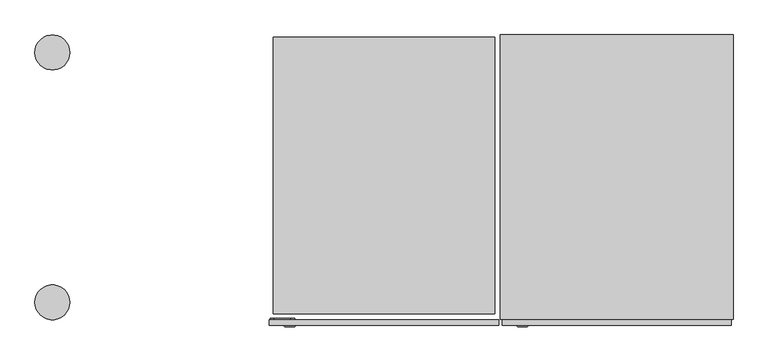
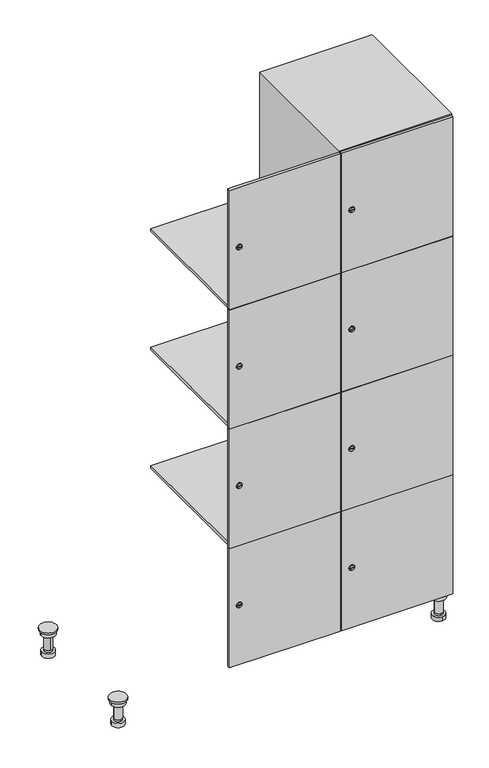
"""IFC4 building model written with IfcOpenShell, lengths in millimetres: furniture geometry."""

from ifc_helpers import new_model, si_unit, point, frame, frame_2d, origin, place, context, project, spatial, polyline, circle_curve, trimmed, segment, composite_curve, outline, extrude, faceted_brep, source, transform, mapped, element, save
from ifc_brep_helpers import plane_surface, cylinder_surface, revolved_surface, advanced_brep


def furniture_999650c0(model_context):
    return source(origin(), model_context, "Body", "SolidModel", [
        advanced_brep(
        [(970.0, -201.0, 22.0), (970.0, -201.5, 16.0), (970.0, -228.5, 16.0), (970.0, -229.0, 22.0), (956.0, -215.0, 22.0), (984.0, -215.0, 22.0), (970.0, -192.5, 16.0), (970.0, -237.5, 16.0), (970.0, -192.5, 0.0), (970.0, -237.5, 0.0), (984.0, -215.0, 78.0), (956.0, -215.0, 78.0), (995.0, -215.0, 78.0), (945.0, -215.0, 78.0), (1000.0, -215.0, 94.0), (940.0, -215.0, 94.0), (945.0, -215.0, 94.0), (995.0, -215.0, 94.0), (1000.0, -215.0, 100.0), (940.0, -215.0, 100.0)],
        [
            (0, 1),
            (1, 2, circle_curve(frame((970.0, -215.0, 16.0), z_axis=(0.0, 0.0, 1.0), x_axis=(0.0, -1.0, 0.0)), 13.5)),
            (2, 3),
            (3, 4, circle_curve(frame((970.0, -215.0, 22.0), z_axis=(0.0, 0.0, -1.0), x_axis=(0.0, -1.0, 0.0)), 14.0)),
            (4, 0, circle_curve(frame((970.0, -215.0, 22.0), z_axis=(0.0, 0.0, -1.0), x_axis=(0.0, -1.0, 0.0)), 14.0)),
            (0, 5, circle_curve(frame((970.0, -215.0, 22.0), z_axis=(0.0, 0.0, -1.0), x_axis=(0.0, 1.0, 0.0)), 14.0)),
            (5, 3, circle_curve(frame((970.0, -215.0, 22.0), z_axis=(0.0, 0.0, -1.0), x_axis=(0.0, 1.0, 0.0)), 14.0)),
            (2, 1, circle_curve(frame((970.0, -215.0, 16.0), z_axis=(0.0, 0.0, 1.0), x_axis=(0.0, 1.0, 0.0)), 13.5)),
            (6, 7, circle_curve(frame((970.0, -215.0, 16.0), z_axis=(0.0, 0.0, 1.0), x_axis=(0.0, -1.0, 0.0)), 22.5)),
            (7, 6, circle_curve(frame((970.0, -215.0, 16.0), z_axis=(0.0, 0.0, 1.0), x_axis=(0.0, -1.0, 0.0)), 22.5)),
            (8, 9, circle_curve(frame((970.0, -215.0, 0.0), z_axis=(0.0, 0.0, -1.0), x_axis=(0.0, -1.0, 0.0)), 22.5)),
            (9, 8, circle_curve(frame((970.0, -215.0, 0.0), z_axis=(0.0, 0.0, -1.0), x_axis=(0.0, -1.0, 0.0)), 22.5)),
            (6, 8),
            (9, 7),
            (5, 10),
            (10, 11, circle_curve(frame((970.0, -215.0, 78.0), z_axis=(0.0, 0.0, -1.0), x_axis=(-1.0, 0.0, 0.0)), 14.0)),
            (11, 4),
            (11, 10, circle_curve(frame((970.0, -215.0, 78.0), z_axis=(0.0, 0.0, -1.0), x_axis=(-1.0, 0.0, 0.0)), 14.0)),
            (12, 13, circle_curve(frame((970.0, -215.0, 78.0), z_axis=(0.0, 0.0, -1.0), x_axis=(-1.0, 0.0, 0.0)), 25.0)),
            (13, 12, circle_curve(frame((970.0, -215.0, 78.0), z_axis=(0.0, 0.0, -1.0), x_axis=(-1.0, 0.0, 0.0)), 25.0)),
            (14, 15, circle_curve(frame((970.0, -215.0, 94.0), z_axis=(0.0, 0.0, -1.0), x_axis=(-1.0, 0.0, 0.0)), 30.0)),
            (15, 14, circle_curve(frame((970.0, -215.0, 94.0), z_axis=(0.0, 0.0, -1.0), x_axis=(-1.0, 0.0, 0.0)), 30.0)),
            (16, 17, circle_curve(frame((970.0, -215.0, 94.0), z_axis=(0.0, 0.0, 1.0), x_axis=(-1.0, 0.0, 0.0)), 25.0)),
            (17, 16, circle_curve(frame((970.0, -215.0, 94.0), z_axis=(0.0, 0.0, 1.0), x_axis=(-1.0, 0.0, 0.0)), 25.0)),
            (18, 19, circle_curve(frame((970.0, -215.0, 100.0), z_axis=(0.0, 0.0, 1.0), x_axis=(-1.0, 0.0, 0.0)), 30.0)),
            (19, 18, circle_curve(frame((970.0, -215.0, 100.0), z_axis=(0.0, 0.0, 1.0), x_axis=(-1.0, 0.0, 0.0)), 30.0)),
            (14, 18),
            (19, 15),
            (12, 17),
            (16, 13),
        ],
        [
            revolved_surface(polyline([(970.0, -201.5, 16.0), (970.0, -201.0, 22.0)]), (970.0, -215.0, -146.0), (0.0, 0.0, 1.0)),
            plane_surface(frame((970.0, 0.0, 16.0), z_axis=(0.0, 0.0, 1.0), x_axis=(0.0, -1.0, 0.0))),
            plane_surface(frame((970.0, 0.0, 0.0), z_axis=(0.0, 0.0, -1.0), x_axis=(0.0, -1.0, 0.0))),
            cylinder_surface(frame((970.0, -215.0, 16.0), z_axis=(0.0, 0.0, 1.0), x_axis=(0.0, -1.0, 0.0)), 22.5),
            cylinder_surface(frame((970.0, -215.0, 22.0), z_axis=(0.0, 0.0, -1.0), x_axis=(-1.0, 0.0, 0.0)), 14.0),
            plane_surface(frame((970.0, 0.0, 78.0), z_axis=(0.0, 0.0, -1.0), x_axis=(0.0, -1.0, 0.0))),
            plane_surface(frame((970.0, 0.0, 94.0), z_axis=(0.0, 0.0, -1.0), x_axis=(0.0, -1.0, 0.0))),
            plane_surface(frame((970.0, 0.0, 100.0), z_axis=(0.0, 0.0, 1.0), x_axis=(0.0, -1.0, 0.0))),
            cylinder_surface(frame((970.0, -215.0, 94.0), z_axis=(0.0, 0.0, -1.0), x_axis=(-1.0, 0.0, 0.0)), 30.0),
            cylinder_surface(frame((970.0, -215.0, 78.0), z_axis=(0.0, 0.0, -1.0), x_axis=(-1.0, 0.0, 0.0)), 25.0),
        ],
        [
            (0, [[1, 2, 3, 4, 5]]),
            (0, [[-1, 6, 7, -3, 8]]),
            (1, [[9, 10], [-2, -8]]),
            (2, [[11, 12]]),
            (3, [[-9, 13, -12, 14]]),
            (3, [[-10, -14, -11, -13]]),
            (4, [[15, 16, 17, -4, -7]]),
            (4, [[-15, -6, -5, -17, 18]]),
            (5, [[19, 20], [-16, -18]]),
            (6, [[21, 22], [23, 24]]),
            (7, [[25, 26]]),
            (8, [[-21, 27, -26, 28]]),
            (8, [[-22, -28, -25, -27]]),
            (9, [[-19, 29, -23, 30]]),
            (9, [[-20, -30, -24, -29]]),
        ],
    ),
        advanced_brep(
        [(-170.0, -201.0, 22.0), (-170.0, -201.5, 16.0), (-170.0, -228.5, 16.0), (-170.0, -229.0, 22.0), (-184.0, -215.0, 22.0), (-156.0, -215.0, 22.0), (-147.5, -215.0, 0.0), (-192.5, -215.0, 0.0), (-147.5, -215.0, 16.0), (-192.5, -215.0, 16.0), (-156.0, -215.0, 78.0), (-184.0, -215.0, 78.0), (-145.0, -215.0, 78.0), (-195.0, -215.0, 78.0), (-140.0, -215.0, 94.0), (-200.0, -215.0, 94.0), (-195.0, -215.0, 94.0), (-145.0, -215.0, 94.0), (-140.0, -215.0, 100.0), (-200.0, -215.0, 100.0)],
        [
            (0, 1),
            (1, 2, circle_curve(frame((-170.0, -215.0, 16.0), z_axis=(0.0, 0.0, 1.0), x_axis=(0.0, -1.0, 0.0)), 13.5)),
            (2, 3),
            (3, 4, circle_curve(frame((-170.0, -215.0, 22.0), z_axis=(0.0, 0.0, -1.0), x_axis=(0.0, -1.0, 0.0)), 14.0)),
            (4, 0, circle_curve(frame((-170.0, -215.0, 22.0), z_axis=(0.0, 0.0, -1.0), x_axis=(0.0, -1.0, 0.0)), 14.0)),
            (0, 5, circle_curve(frame((-170.0, -215.0, 22.0), z_axis=(0.0, 0.0, -1.0), x_axis=(0.0, 1.0, 0.0)), 14.0)),
            (5, 3, circle_curve(frame((-170.0, -215.0, 22.0), z_axis=(0.0, 0.0, -1.0), x_axis=(0.0, 1.0, 0.0)), 14.0)),
            (2, 1, circle_curve(frame((-170.0, -215.0, 16.0), z_axis=(0.0, 0.0, 1.0), x_axis=(0.0, 1.0, 0.0)), 13.5)),
            (6, 7, circle_curve(frame((-170.0, -215.0, 0.0), z_axis=(0.0, 0.0, -1.0), x_axis=(-1.0, 0.0, 0.0)), 22.5)),
            (7, 6, circle_curve(frame((-170.0, -215.0, 0.0), z_axis=(0.0, 0.0, -1.0), x_axis=(-1.0, 0.0, 0.0)), 22.5)),
            (8, 9, circle_curve(frame((-170.0, -215.0, 16.0), z_axis=(0.0, 0.0, 1.0), x_axis=(-1.0, 0.0, 0.0)), 22.5)),
            (9, 8, circle_curve(frame((-170.0, -215.0, 16.0), z_axis=(0.0, 0.0, 1.0), x_axis=(-1.0, 0.0, 0.0)), 22.5)),
            (6, 8),
            (9, 7),
            (5, 10),
            (10, 11, circle_curve(frame((-170.0, -215.0, 78.0), z_axis=(0.0, 0.0, -1.0), x_axis=(-1.0, 0.0, 0.0)), 14.0)),
            (11, 4),
            (11, 10, circle_curve(frame((-170.0, -215.0, 78.0), z_axis=(0.0, 0.0, -1.0), x_axis=(-1.0, 0.0, 0.0)), 14.0)),
            (12, 13, circle_curve(frame((-170.0, -215.0, 78.0), z_axis=(0.0, 0.0, -1.0), x_axis=(-1.0, 0.0, 0.0)), 25.0)),
            (13, 12, circle_curve(frame((-170.0, -215.0, 78.0), z_axis=(0.0, 0.0, -1.0), x_axis=(-1.0, 0.0, 0.0)), 25.0)),
            (14, 15, circle_curve(frame((-170.0, -215.0, 94.0), z_axis=(0.0, 0.0, -1.0), x_axis=(-1.0, 0.0, 0.0)), 30.0)),
            (15, 14, circle_curve(frame((-170.0, -215.0, 94.0), z_axis=(0.0, 0.0, -1.0), x_axis=(-1.0, 0.0, 0.0)), 30.0)),
            (16, 17, circle_curve(frame((-170.0, -215.0, 94.0), z_axis=(0.0, 0.0, 1.0), x_axis=(-1.0, 0.0, 0.0)), 25.0)),
            (17, 16, circle_curve(frame((-170.0, -215.0, 94.0), z_axis=(0.0, 0.0, 1.0), x_axis=(-1.0, 0.0, 0.0)), 25.0)),
            (18, 19, circle_curve(frame((-170.0, -215.0, 100.0), z_axis=(0.0, 0.0, 1.0), x_axis=(-1.0, 0.0, 0.0)), 30.0)),
            (19, 18, circle_curve(frame((-170.0, -215.0, 100.0), z_axis=(0.0, 0.0, 1.0), x_axis=(-1.0, 0.0, 0.0)), 30.0)),
            (14, 18),
            (19, 15),
            (12, 17),
            (16, 13),
        ],
        [
            revolved_surface(polyline([(-170.0, -201.5, 16.0), (-170.0, -201.0, 22.0)]), (-170.0, -215.0, -146.0), (0.0, 0.0, 1.0)),
            plane_surface(frame((-170.0, 0.0, 0.0), z_axis=(0.0, 0.0, -1.0), x_axis=(0.0, -1.0, 0.0))),
            plane_surface(frame((-170.0, 0.0, 16.0), z_axis=(0.0, 0.0, 1.0), x_axis=(0.0, -1.0, 0.0))),
            cylinder_surface(frame((-170.0, -215.0, 0.0), z_axis=(0.0, 0.0, -1.0), x_axis=(-1.0, 0.0, 0.0)), 22.5),
            cylinder_surface(frame((-170.0, -215.0, 22.0), z_axis=(0.0, 0.0, -1.0), x_axis=(-1.0, 0.0, 0.0)), 14.0),
            plane_surface(frame((-170.0, 0.0, 78.0), z_axis=(0.0, 0.0, -1.0), x_axis=(0.0, -1.0, 0.0))),
            plane_surface(frame((-170.0, 0.0, 94.0), z_axis=(0.0, 0.0, -1.0), x_axis=(0.0, -1.0, 0.0))),
            plane_surface(frame((-170.0, 0.0, 100.0), z_axis=(0.0, 0.0, 1.0), x_axis=(0.0, -1.0, 0.0))),
            cylinder_surface(frame((-170.0, -215.0, 94.0), z_axis=(0.0, 0.0, -1.0), x_axis=(-1.0, 0.0, 0.0)), 30.0),
            cylinder_surface(frame((-170.0, -215.0, 78.0), z_axis=(0.0, 0.0, -1.0), x_axis=(-1.0, 0.0, 0.0)), 25.0),
        ],
        [
            (0, [[1, 2, 3, 4, 5]]),
            (0, [[-1, 6, 7, -3, 8]]),
            (1, [[9, 10]]),
            (2, [[11, 12], [-2, -8]]),
            (3, [[-9, 13, -12, 14]]),
            (3, [[-10, -14, -11, -13]]),
            (4, [[15, 16, 17, -4, -7]]),
            (4, [[-15, -6, -5, -17, 18]]),
            (5, [[19, 20], [-16, -18]]),
            (6, [[21, 22], [23, 24]]),
            (7, [[25, 26]]),
            (8, [[-21, 27, -26, 28]]),
            (8, [[-22, -28, -25, -27]]),
            (9, [[-19, 29, -23, 30]]),
            (9, [[-20, -30, -24, -29]]),
        ],
    ),
        advanced_brep(
        [(983.5, 215.0, 16.0), (984.0, 215.0, 22.0), (956.0, 215.0, 22.0), (956.5, 215.0, 16.0), (992.5, 215.0, 0.0), (947.5, 215.0, 0.0), (992.5, 215.0, 16.0), (947.5, 215.0, 16.0), (984.0, 215.0, 78.0), (956.0, 215.0, 78.0), (995.0, 215.0, 78.0), (945.0, 215.0, 78.0), (1000.0, 215.0, 94.0), (940.0, 215.0, 94.0), (945.0, 215.0, 94.0), (995.0, 215.0, 94.0), (1000.0, 215.0, 100.0), (940.0, 215.0, 100.0)],
        [
            (0, 1),
            (1, 2, circle_curve(frame((970.0, 215.0, 22.0), z_axis=(0.0, 0.0, -1.0), x_axis=(-1.0, 0.0, 0.0)), 14.0)),
            (2, 3),
            (3, 0, circle_curve(frame((970.0, 215.0, 16.0), z_axis=(0.0, 0.0, 1.0), x_axis=(-1.0, 0.0, 0.0)), 13.5)),
            (0, 3, circle_curve(frame((970.0, 215.0, 16.0), z_axis=(0.0, 0.0, 1.0), x_axis=(1.0, 0.0, 0.0)), 13.5)),
            (2, 1, circle_curve(frame((970.0, 215.0, 22.0), z_axis=(0.0, 0.0, -1.0), x_axis=(1.0, 0.0, 0.0)), 14.0)),
            (4, 5, circle_curve(frame((970.0, 215.0, 0.0), z_axis=(0.0, 0.0, -1.0), x_axis=(-1.0, 0.0, 0.0)), 22.5)),
            (5, 4, circle_curve(frame((970.0, 215.0, 0.0), z_axis=(0.0, 0.0, -1.0), x_axis=(-1.0, 0.0, 0.0)), 22.5)),
            (6, 7, circle_curve(frame((970.0, 215.0, 16.0), z_axis=(0.0, 0.0, 1.0), x_axis=(-1.0, 0.0, 0.0)), 22.5)),
            (7, 6, circle_curve(frame((970.0, 215.0, 16.0), z_axis=(0.0, 0.0, 1.0), x_axis=(-1.0, 0.0, 0.0)), 22.5)),
            (4, 6),
            (7, 5),
            (1, 8),
            (8, 9, circle_curve(frame((970.0, 215.0, 78.0), z_axis=(0.0, 0.0, -1.0), x_axis=(-1.0, 0.0, 0.0)), 14.0)),
            (9, 2),
            (9, 8, circle_curve(frame((970.0, 215.0, 78.0), z_axis=(0.0, 0.0, -1.0), x_axis=(-1.0, 0.0, 0.0)), 14.0)),
            (10, 11, circle_curve(frame((970.0, 215.0, 78.0), z_axis=(0.0, 0.0, -1.0), x_axis=(-1.0, 0.0, 0.0)), 25.0)),
            (11, 10, circle_curve(frame((970.0, 215.0, 78.0), z_axis=(0.0, 0.0, -1.0), x_axis=(-1.0, 0.0, 0.0)), 25.0)),
            (12, 13, circle_curve(frame((970.0, 215.0, 94.0), z_axis=(0.0, 0.0, -1.0), x_axis=(-1.0, 0.0, 0.0)), 30.0)),
            (13, 12, circle_curve(frame((970.0, 215.0, 94.0), z_axis=(0.0, 0.0, -1.0), x_axis=(-1.0, 0.0, 0.0)), 30.0)),
            (14, 15, circle_curve(frame((970.0, 215.0, 94.0), z_axis=(0.0, 0.0, 1.0), x_axis=(-1.0, 0.0, 0.0)), 25.0)),
            (15, 14, circle_curve(frame((970.0, 215.0, 94.0), z_axis=(0.0, 0.0, 1.0), x_axis=(-1.0, 0.0, 0.0)), 25.0)),
            (16, 17, circle_curve(frame((970.0, 215.0, 100.0), z_axis=(0.0, 0.0, 1.0), x_axis=(-1.0, 0.0, 0.0)), 30.0)),
            (17, 16, circle_curve(frame((970.0, 215.0, 100.0), z_axis=(0.0, 0.0, 1.0), x_axis=(-1.0, 0.0, 0.0)), 30.0)),
            (12, 16),
            (17, 13),
            (10, 15),
            (14, 11),
        ],
        [
            revolved_surface(polyline([(983.5, 215.0, 16.0), (984.0, 215.0, 22.0)]), (970.0, 215.0, -146.0), (0.0, 0.0, 1.0)),
            plane_surface(frame((970.0, 0.0, 0.0), z_axis=(0.0, 0.0, -1.0), x_axis=(0.0, -1.0, 0.0))),
            plane_surface(frame((970.0, 0.0, 16.0), z_axis=(0.0, 0.0, 1.0), x_axis=(0.0, -1.0, 0.0))),
            cylinder_surface(frame((970.0, 215.0, 0.0), z_axis=(0.0, 0.0, -1.0), x_axis=(-1.0, 0.0, 0.0)), 22.5),
            cylinder_surface(frame((970.0, 215.0, 22.0), z_axis=(0.0, 0.0, -1.0), x_axis=(-1.0, 0.0, 0.0)), 14.0),
            plane_surface(frame((970.0, 0.0, 78.0), z_axis=(0.0, 0.0, -1.0), x_axis=(0.0, -1.0, 0.0))),
            plane_surface(frame((970.0, 0.0, 94.0), z_axis=(0.0, 0.0, -1.0), x_axis=(0.0, -1.0, 0.0))),
            plane_surface(frame((970.0, 0.0, 100.0), z_axis=(0.0, 0.0, 1.0), x_axis=(0.0, -1.0, 0.0))),
            cylinder_surface(frame((970.0, 215.0, 94.0), z_axis=(0.0, 0.0, -1.0), x_axis=(-1.0, 0.0, 0.0)), 30.0),
            cylinder_surface(frame((970.0, 215.0, 78.0), z_axis=(0.0, 0.0, -1.0), x_axis=(-1.0, 0.0, 0.0)), 25.0),
        ],
        [
            (0, [[1, 2, 3, 4]]),
            (0, [[-1, 5, -3, 6]]),
            (1, [[7, 8]]),
            (2, [[9, 10], [-4, -5]]),
            (3, [[-7, 11, -10, 12]]),
            (3, [[-8, -12, -9, -11]]),
            (4, [[13, 14, 15, -2]]),
            (4, [[-13, -6, -15, 16]]),
            (5, [[17, 18], [-14, -16]]),
            (6, [[19, 20], [21, 22]]),
            (7, [[23, 24]]),
            (8, [[-19, 25, -24, 26]]),
            (8, [[-20, -26, -23, -25]]),
            (9, [[-17, 27, -21, 28]]),
            (9, [[-18, -28, -22, -27]]),
        ],
    ),
        advanced_brep(
        [(-156.5, 215.0, 16.0), (-156.0, 215.0, 22.0), (-170.0, 201.0, 22.0), (-184.0, 215.0, 22.0), (-183.5, 215.0, 16.0), (-170.0, 229.0, 22.0), (-147.5, 215.0, 0.0), (-192.5, 215.0, 0.0), (-147.5, 215.0, 16.0), (-192.5, 215.0, 16.0), (-170.0, 229.0, 78.0), (-170.0, 201.0, 78.0), (-145.0, 215.0, 78.0), (-195.0, 215.0, 78.0), (-140.0, 215.0, 94.0), (-200.0, 215.0, 94.0), (-195.0, 215.0, 94.0), (-145.0, 215.0, 94.0), (-140.0, 215.0, 100.0), (-200.0, 215.0, 100.0)],
        [
            (0, 1),
            (1, 2, circle_curve(frame((-170.0, 215.0, 22.0), z_axis=(0.0, 0.0, -1.0), x_axis=(-1.0, 0.0, 0.0)), 14.0)),
            (2, 3, circle_curve(frame((-170.0, 215.0, 22.0), z_axis=(0.0, 0.0, -1.0), x_axis=(-1.0, 0.0, 0.0)), 14.0)),
            (3, 4),
            (4, 0, circle_curve(frame((-170.0, 215.0, 16.0), z_axis=(0.0, 0.0, 1.0), x_axis=(-1.0, 0.0, 0.0)), 13.5)),
            (0, 4, circle_curve(frame((-170.0, 215.0, 16.0), z_axis=(0.0, 0.0, 1.0), x_axis=(1.0, 0.0, 0.0)), 13.5)),
            (3, 5, circle_curve(frame((-170.0, 215.0, 22.0), z_axis=(0.0, 0.0, -1.0), x_axis=(1.0, 0.0, 0.0)), 14.0)),
            (5, 1, circle_curve(frame((-170.0, 215.0, 22.0), z_axis=(0.0, 0.0, -1.0), x_axis=(1.0, 0.0, 0.0)), 14.0)),
            (6, 7, circle_curve(frame((-170.0, 215.0, 0.0), z_axis=(0.0, 0.0, -1.0), x_axis=(-1.0, 0.0, 0.0)), 22.5)),
            (7, 6, circle_curve(frame((-170.0, 215.0, 0.0), z_axis=(0.0, 0.0, -1.0), x_axis=(-1.0, 0.0, 0.0)), 22.5)),
            (8, 9, circle_curve(frame((-170.0, 215.0, 16.0), z_axis=(0.0, 0.0, 1.0), x_axis=(-1.0, 0.0, 0.0)), 22.5)),
            (9, 8, circle_curve(frame((-170.0, 215.0, 16.0), z_axis=(0.0, 0.0, 1.0), x_axis=(-1.0, 0.0, 0.0)), 22.5)),
            (6, 8),
            (9, 7),
            (10, 5),
            (2, 11),
            (11, 10, circle_curve(frame((-170.0, 215.0, 78.0), z_axis=(0.0, 0.0, -1.0), x_axis=(0.0, -1.0, 0.0)), 14.0)),
            (10, 11, circle_curve(frame((-170.0, 215.0, 78.0), z_axis=(0.0, 0.0, -1.0), x_axis=(0.0, -1.0, 0.0)), 14.0)),
            (12, 13, circle_curve(frame((-170.0, 215.0, 78.0), z_axis=(0.0, 0.0, -1.0), x_axis=(-1.0, 0.0, 0.0)), 25.0)),
            (13, 12, circle_curve(frame((-170.0, 215.0, 78.0), z_axis=(0.0, 0.0, -1.0), x_axis=(-1.0, 0.0, 0.0)), 25.0)),
            (14, 15, circle_curve(frame((-170.0, 215.0, 94.0), z_axis=(0.0, 0.0, -1.0), x_axis=(-1.0, 0.0, 0.0)), 30.0)),
            (15, 14, circle_curve(frame((-170.0, 215.0, 94.0), z_axis=(0.0, 0.0, -1.0), x_axis=(-1.0, 0.0, 0.0)), 30.0)),
            (16, 17, circle_curve(frame((-170.0, 215.0, 94.0), z_axis=(0.0, 0.0, 1.0), x_axis=(-1.0, 0.0, 0.0)), 25.0)),
            (17, 16, circle_curve(frame((-170.0, 215.0, 94.0), z_axis=(0.0, 0.0, 1.0), x_axis=(-1.0, 0.0, 0.0)), 25.0)),
            (18, 19, circle_curve(frame((-170.0, 215.0, 100.0), z_axis=(0.0, 0.0, 1.0), x_axis=(-1.0, 0.0, 0.0)), 30.0)),
            (19, 18, circle_curve(frame((-170.0, 215.0, 100.0), z_axis=(0.0, 0.0, 1.0), x_axis=(-1.0, 0.0, 0.0)), 30.0)),
            (14, 18),
            (19, 15),
            (12, 17),
            (16, 13),
        ],
        [
            revolved_surface(polyline([(-156.5, 215.0, 16.0), (-156.0, 215.0, 22.0)]), (-170.0, 215.0, -146.0), (0.0, 0.0, 1.0)),
            plane_surface(frame((-170.0, 0.0, 0.0), z_axis=(0.0, 0.0, -1.0), x_axis=(0.0, -1.0, 0.0))),
            plane_surface(frame((-170.0, 0.0, 16.0), z_axis=(0.0, 0.0, 1.0), x_axis=(0.0, -1.0, 0.0))),
            cylinder_surface(frame((-170.0, 215.0, 0.0), z_axis=(0.0, 0.0, -1.0), x_axis=(-1.0, 0.0, 0.0)), 22.5),
            cylinder_surface(frame((-170.0, 215.0, 78.0), z_axis=(0.0, 0.0, 1.0), x_axis=(0.0, -1.0, 0.0)), 14.0),
            plane_surface(frame((-170.0, 0.0, 78.0), z_axis=(0.0, 0.0, -1.0), x_axis=(0.0, -1.0, 0.0))),
            plane_surface(frame((-170.0, 0.0, 94.0), z_axis=(0.0, 0.0, -1.0), x_axis=(0.0, -1.0, 0.0))),
            plane_surface(frame((-170.0, 0.0, 100.0), z_axis=(0.0, 0.0, 1.0), x_axis=(0.0, -1.0, 0.0))),
            cylinder_surface(frame((-170.0, 215.0, 94.0), z_axis=(0.0, 0.0, -1.0), x_axis=(-1.0, 0.0, 0.0)), 30.0),
            cylinder_surface(frame((-170.0, 215.0, 78.0), z_axis=(0.0, 0.0, -1.0), x_axis=(-1.0, 0.0, 0.0)), 25.0),
        ],
        [
            (0, [[1, 2, 3, 4, 5]]),
            (0, [[-1, 6, -4, 7, 8]]),
            (1, [[9, 10]]),
            (2, [[11, 12], [-5, -6]]),
            (3, [[-9, 13, -12, 14]]),
            (3, [[-10, -14, -11, -13]]),
            (4, [[15, -7, -3, 16, 17]]),
            (4, [[-15, 18, -16, -2, -8]]),
            (5, [[19, 20], [-17, -18]]),
            (6, [[21, 22], [23, 24]]),
            (7, [[25, 26]]),
            (8, [[-21, 27, -26, 28]]),
            (8, [[-22, -28, -25, -27]]),
            (9, [[-19, 29, -23, 30]]),
            (9, [[-20, -30, -24, -29]]),
        ],
    ),
        extrude(outline(composite_curve([segment(trimmed(circle_curve(frame_2d((327.25, 611.2010534)), 7.0), [point((334.25, 611.2010534))], [point((320.25, 611.2010534))], False, "CARTESIAN"), True, "CONTINUOUS"), segment(polyline([(320.25, 611.2010534), (320.25, 639.2010534)]), True, "CONTINUOUS"), segment(trimmed(circle_curve(frame_2d((327.25, 639.2010534)), 7.0), [point((320.25, 639.2010534))], [point((334.25, 639.2010534))], False, "CARTESIAN"), True, "CONTINUOUS"), segment(polyline([(334.25, 639.2010534), (334.25, 611.2010534)]), True, "CONTINUOUS")], self_intersect=False)), frame((0.0, -245.0, 0.0), z_axis=(0.0, 1.0, 0.0), x_axis=(0.0, 0.0, 1.0)), (0.0, 0.0, 1.0), 2.0),
        advanced_brep(
        [(646.5, -257.2, 327.25), (629.5, -257.2, 327.25), (633.0, -257.2, 326.0), (633.0, -257.2, 328.5), (643.0, -257.2, 328.5), (643.0, -257.2, 326.0), (648.5, -255.0, 327.25), (627.5, -255.0, 327.25), (633.0, -255.0, 328.5), (633.0, -255.0, 326.0), (643.0, -255.0, 326.0), (643.0, -255.0, 328.5)],
        [
            (0, 1, circle_curve(frame((638.0, -257.2, 327.25), z_axis=(0.0, -1.0, 0.0), x_axis=(1.0, 0.0, 0.0)), 8.5)),
            (1, 0, circle_curve(frame((638.0, -257.2, 327.25), z_axis=(0.0, -1.0, 0.0), x_axis=(-1.0, 0.0, 0.0)), 8.5)),
            (2, 3),
            (3, 4),
            (4, 5),
            (5, 2),
            (6, 7, circle_curve(frame((638.0, -255.0, 327.25), z_axis=(0.0, 1.0, 0.0), x_axis=(-1.0, 0.0, 0.0)), 10.5)),
            (7, 6, circle_curve(frame((638.0, -255.0, 327.25), z_axis=(0.0, 1.0, 0.0), x_axis=(1.0, 0.0, 0.0)), 10.5)),
            (8, 9),
            (9, 10),
            (10, 11),
            (11, 8),
            (0, 6),
            (7, 1),
            (8, 3),
            (2, 9),
            (11, 4),
            (10, 5),
        ],
        [
            plane_surface(frame((638.0, -257.2, 327.25), z_axis=(0.0, -1.0, 0.0), x_axis=(0.0, 0.0, 1.0))),
            plane_surface(frame((638.0, -255.0, 327.25), z_axis=(0.0, 1.0, 0.0), x_axis=(0.0, 0.0, 1.0))),
            revolved_surface(polyline([(646.5, -257.2, 327.25), (648.5, -255.0, 327.25)]), (638.0, -266.55, 327.25), (0.0, 1.0, 0.0)),
            revolved_surface(polyline([(629.5, -257.2, 327.25), (627.5, -255.0, 327.25)]), (638.0, -266.55, 327.25), (0.0, 1.0, 0.0)),
            plane_surface(frame((633.0, -255.0, 326.0), z_axis=(1.0, 0.0, 0.0), x_axis=(0.0, -1.0, 0.0))),
            plane_surface(frame((633.0, -255.0, 328.5), z_axis=(0.0, 0.0, -1.0), x_axis=(0.0, -1.0, 0.0))),
            plane_surface(frame((643.0, -255.0, 328.5), z_axis=(-1.0, 0.0, 0.0), x_axis=(0.0, -1.0, 0.0))),
            plane_surface(frame((643.0, -255.0, 326.0), z_axis=(0.0, 0.0, 1.0), x_axis=(0.0, -1.0, 0.0))),
        ],
        [
            (0, [[1, 2], [3, 4, 5, 6]]),
            (1, [[7, 8], [9, 10, 11, 12]]),
            (2, [[-1, 13, -8, 14]]),
            (3, [[-2, -14, -7, -13]]),
            (4, [[15, -3, 16, -9]]),
            (5, [[-15, -12, 17, -4]]),
            (6, [[-17, -11, 18, -5]]),
            (7, [[-16, -6, -18, -10]]),
        ],
    ),
        extrude(outline(composite_curve([segment(trimmed(circle_curve(frame_2d((775.75, 611.2010534)), 7.0), [point((782.75, 611.2010534))], [point((768.75, 611.2010534))], False, "CARTESIAN"), True, "CONTINUOUS"), segment(polyline([(768.75, 611.2010534), (768.75, 639.2010534)]), True, "CONTINUOUS"), segment(trimmed(circle_curve(frame_2d((775.75, 639.2010534)), 7.0), [point((768.75, 639.2010534))], [point((782.75, 639.2010534))], False, "CARTESIAN"), True, "CONTINUOUS"), segment(polyline([(782.75, 639.2010534), (782.75, 611.2010534)]), True, "CONTINUOUS")], self_intersect=False)), frame((0.0, -245.0, 0.0), z_axis=(0.0, 1.0, 0.0), x_axis=(0.0, 0.0, 1.0)), (0.0, 0.0, 1.0), 2.0),
        advanced_brep(
        [(646.5, -257.2, 775.75), (629.5, -257.2, 775.75), (633.0, -257.2, 774.5), (633.0, -257.2, 777.0), (643.0, -257.2, 777.0), (643.0, -257.2, 774.5), (648.5, -255.0, 775.75), (627.5, -255.0, 775.75), (633.0, -255.0, 777.0), (633.0, -255.0, 774.5), (643.0, -255.0, 774.5), (643.0, -255.0, 777.0)],
        [
            (0, 1, circle_curve(frame((638.0, -257.2, 775.75), z_axis=(0.0, -1.0, 0.0), x_axis=(1.0, 0.0, 0.0)), 8.5)),
            (1, 0, circle_curve(frame((638.0, -257.2, 775.75), z_axis=(0.0, -1.0, 0.0), x_axis=(-1.0, 0.0, 0.0)), 8.5)),
            (2, 3),
            (3, 4),
            (4, 5),
            (5, 2),
            (6, 7, circle_curve(frame((638.0, -255.0, 775.75), z_axis=(0.0, 1.0, 0.0), x_axis=(-1.0, 0.0, 0.0)), 10.5)),
            (7, 6, circle_curve(frame((638.0, -255.0, 775.75), z_axis=(0.0, 1.0, 0.0), x_axis=(1.0, 0.0, 0.0)), 10.5)),
            (8, 9),
            (9, 10),
            (10, 11),
            (11, 8),
            (0, 6),
            (7, 1),
            (8, 3),
            (2, 9),
            (11, 4),
            (10, 5),
        ],
        [
            plane_surface(frame((638.0, -257.2, 775.75), z_axis=(0.0, -1.0, 0.0), x_axis=(0.0, 0.0, 1.0))),
            plane_surface(frame((638.0, -255.0, 775.75), z_axis=(0.0, 1.0, 0.0), x_axis=(0.0, 0.0, 1.0))),
            revolved_surface(polyline([(646.5, -257.2, 775.75), (648.5, -255.0, 775.75)]), (638.0, -266.55, 775.75), (0.0, 1.0, 0.0)),
            revolved_surface(polyline([(629.5, -257.2, 775.75), (627.5, -255.0, 775.75)]), (638.0, -266.55, 775.75), (0.0, 1.0, 0.0)),
            plane_surface(frame((633.0, -255.0, 774.5), z_axis=(1.0, 0.0, 0.0), x_axis=(0.0, -1.0, 0.0))),
            plane_surface(frame((633.0, -255.0, 777.0), z_axis=(0.0, 0.0, -1.0), x_axis=(0.0, -1.0, 0.0))),
            plane_surface(frame((643.0, -255.0, 777.0), z_axis=(-1.0, 0.0, 0.0), x_axis=(0.0, -1.0, 0.0))),
            plane_surface(frame((643.0, -255.0, 774.5), z_axis=(0.0, 0.0, 1.0), x_axis=(0.0, -1.0, 0.0))),
        ],
        [
            (0, [[1, 2], [3, 4, 5, 6]]),
            (1, [[7, 8], [9, 10, 11, 12]]),
            (2, [[-1, 13, -8, 14]]),
            (3, [[-2, -14, -7, -13]]),
            (4, [[15, -3, 16, -9]]),
            (5, [[-15, -12, 17, -4]]),
            (6, [[-17, -11, 18, -5]]),
            (7, [[-16, -6, -18, -10]]),
        ],
    ),
        extrude(outline(composite_curve([segment(trimmed(circle_curve(frame_2d((1224.25, 611.2010534)), 7.0), [point((1231.25, 611.2010534))], [point((1217.25, 611.2010534))], False, "CARTESIAN"), True, "CONTINUOUS"), segment(polyline([(1217.25, 611.2010534), (1217.25, 639.2010534)]), True, "CONTINUOUS"), segment(trimmed(circle_curve(frame_2d((1224.25, 639.2010534)), 7.0), [point((1217.25, 639.2010534))], [point((1231.25, 639.2010534))], False, "CARTESIAN"), True, "CONTINUOUS"), segment(polyline([(1231.25, 639.2010534), (1231.25, 611.2010534)]), True, "CONTINUOUS")], self_intersect=False)), frame((0.0, -245.0, 0.0), z_axis=(0.0, 1.0, 0.0), x_axis=(0.0, 0.0, 1.0)), (0.0, 0.0, 1.0), 2.0),
        advanced_brep(
        [(646.5, -257.2, 1224.25), (629.5, -257.2, 1224.25), (633.0, -257.2, 1223.0), (633.0, -257.2, 1225.5), (643.0, -257.2, 1225.5), (643.0, -257.2, 1223.0), (648.5, -255.0, 1224.25), (627.5, -255.0, 1224.25), (633.0, -255.0, 1225.5), (633.0, -255.0, 1223.0), (643.0, -255.0, 1223.0), (643.0, -255.0, 1225.5)],
        [
            (0, 1, circle_curve(frame((638.0, -257.2, 1224.25), z_axis=(0.0, -1.0, 0.0), x_axis=(1.0, 0.0, 0.0)), 8.5)),
            (1, 0, circle_curve(frame((638.0, -257.2, 1224.25), z_axis=(0.0, -1.0, 0.0), x_axis=(-1.0, 0.0, 0.0)), 8.5)),
            (2, 3),
            (3, 4),
            (4, 5),
            (5, 2),
            (6, 7, circle_curve(frame((638.0, -255.0, 1224.25), z_axis=(0.0, 1.0, 0.0), x_axis=(-1.0, 0.0, 0.0)), 10.5)),
            (7, 6, circle_curve(frame((638.0, -255.0, 1224.25), z_axis=(0.0, 1.0, 0.0), x_axis=(1.0, 0.0, 0.0)), 10.5)),
            (8, 9),
            (9, 10),
            (10, 11),
            (11, 8),
            (0, 6),
            (7, 1),
            (8, 3),
            (2, 9),
            (11, 4),
            (10, 5),
        ],
        [
            plane_surface(frame((638.0, -257.2, 1224.25), z_axis=(0.0, -1.0, 0.0), x_axis=(0.0, 0.0, 1.0))),
            plane_surface(frame((638.0, -255.0, 1224.25), z_axis=(0.0, 1.0, 0.0), x_axis=(0.0, 0.0, 1.0))),
            revolved_surface(polyline([(646.5, -257.2, 1224.25), (648.5, -255.0, 1224.25)]), (638.0, -266.55, 1224.25), (0.0, 1.0, 0.0)),
            revolved_surface(polyline([(629.5, -257.2, 1224.25), (627.5, -255.0, 1224.25)]), (638.0, -266.55, 1224.25), (0.0, 1.0, 0.0)),
            plane_surface(frame((633.0, -255.0, 1223.0), z_axis=(1.0, 0.0, 0.0), x_axis=(0.0, -1.0, 0.0))),
            plane_surface(frame((633.0, -255.0, 1225.5), z_axis=(0.0, 0.0, -1.0), x_axis=(0.0, -1.0, 0.0))),
            plane_surface(frame((643.0, -255.0, 1225.5), z_axis=(-1.0, 0.0, 0.0), x_axis=(0.0, -1.0, 0.0))),
            plane_surface(frame((643.0, -255.0, 1223.0), z_axis=(0.0, 0.0, 1.0), x_axis=(0.0, -1.0, 0.0))),
        ],
        [
            (0, [[1, 2], [3, 4, 5, 6]]),
            (1, [[7, 8], [9, 10, 11, 12]]),
            (2, [[-1, 13, -8, 14]]),
            (3, [[-2, -14, -7, -13]]),
            (4, [[15, -3, 16, -9]]),
            (5, [[-15, -12, 17, -4]]),
            (6, [[-17, -11, 18, -5]]),
            (7, [[-16, -6, -18, -10]]),
        ],
    ),
        extrude(outline(composite_curve([segment(trimmed(circle_curve(frame_2d((1672.75, 611.2010534)), 7.0), [point((1679.75, 611.2010534))], [point((1665.75, 611.2010534))], False, "CARTESIAN"), True, "CONTINUOUS"), segment(polyline([(1665.75, 611.2010534), (1665.75, 639.2010534)]), True, "CONTINUOUS"), segment(trimmed(circle_curve(frame_2d((1672.75, 639.2010534)), 7.0), [point((1665.75, 639.2010534))], [point((1679.75, 639.2010534))], False, "CARTESIAN"), True, "CONTINUOUS"), segment(polyline([(1679.75, 639.2010534), (1679.75, 611.2010534)]), True, "CONTINUOUS")], self_intersect=False)), frame((0.0, -245.0, 0.0), z_axis=(0.0, 1.0, 0.0), x_axis=(0.0, 0.0, 1.0)), (0.0, 0.0, 1.0), 2.0),
        advanced_brep(
        [(646.5, -257.2, 1672.75), (629.5, -257.2, 1672.75), (633.0, -257.2, 1671.5), (633.0, -257.2, 1674.0), (643.0, -257.2, 1674.0), (643.0, -257.2, 1671.5), (648.5, -255.0, 1672.75), (627.5, -255.0, 1672.75), (633.0, -255.0, 1674.0), (633.0, -255.0, 1671.5), (643.0, -255.0, 1671.5), (643.0, -255.0, 1674.0)],
        [
            (0, 1, circle_curve(frame((638.0, -257.2, 1672.75), z_axis=(0.0, -1.0, 0.0), x_axis=(1.0, 0.0, 0.0)), 8.5)),
            (1, 0, circle_curve(frame((638.0, -257.2, 1672.75), z_axis=(0.0, -1.0, 0.0), x_axis=(-1.0, 0.0, 0.0)), 8.5)),
            (2, 3),
            (3, 4),
            (4, 5),
            (5, 2),
            (6, 7, circle_curve(frame((638.0, -255.0, 1672.75), z_axis=(0.0, 1.0, 0.0), x_axis=(-1.0, 0.0, 0.0)), 10.5)),
            (7, 6, circle_curve(frame((638.0, -255.0, 1672.75), z_axis=(0.0, 1.0, 0.0), x_axis=(1.0, 0.0, 0.0)), 10.5)),
            (8, 9),
            (9, 10),
            (10, 11),
            (11, 8),
            (0, 6),
            (7, 1),
            (8, 3),
            (2, 9),
            (11, 4),
            (10, 5),
        ],
        [
            plane_surface(frame((638.0, -257.2, 1672.75), z_axis=(0.0, -1.0, 0.0), x_axis=(0.0, 0.0, 1.0))),
            plane_surface(frame((638.0, -255.0, 1672.75), z_axis=(0.0, 1.0, 0.0), x_axis=(0.0, 0.0, 1.0))),
            revolved_surface(polyline([(646.5, -257.2, 1672.75), (648.5, -255.0, 1672.75)]), (638.0, -266.55, 1672.75), (0.0, 1.0, 0.0)),
            revolved_surface(polyline([(629.5, -257.2, 1672.75), (627.5, -255.0, 1672.75)]), (638.0, -266.55, 1672.75), (0.0, 1.0, 0.0)),
            plane_surface(frame((633.0, -255.0, 1671.5), z_axis=(1.0, 0.0, 0.0), x_axis=(0.0, -1.0, 0.0))),
            plane_surface(frame((633.0, -255.0, 1674.0), z_axis=(0.0, 0.0, -1.0), x_axis=(0.0, -1.0, 0.0))),
            plane_surface(frame((643.0, -255.0, 1674.0), z_axis=(-1.0, 0.0, 0.0), x_axis=(0.0, -1.0, 0.0))),
            plane_surface(frame((643.0, -255.0, 1671.5), z_axis=(0.0, 0.0, 1.0), x_axis=(0.0, -1.0, 0.0))),
        ],
        [
            (0, [[1, 2], [3, 4, 5, 6]]),
            (1, [[7, 8], [9, 10, 11, 12]]),
            (2, [[-1, 13, -8, 14]]),
            (3, [[-2, -14, -7, -13]]),
            (4, [[15, -3, 16, -9]]),
            (5, [[-15, -12, 17, -4]]),
            (6, [[-17, -11, 18, -5]]),
            (7, [[-16, -6, -18, -10]]),
        ],
    ),
        extrude(outline(polyline([(997.0, -245.0), (997.0, -255.0), (603.0, -255.0), (603.0, -245.0), (997.0, -245.0)])), frame((0.0, 0.0, 551.0), z_axis=(0.0, 0.0, 1.0), x_axis=(1.0, 0.0, 0.0)), (0.0, 0.0, 1.0), 448.5),
        extrude(outline(polyline([(997.0, -245.0), (997.0, -255.0), (603.0, -255.0), (603.0, -245.0), (997.0, -245.0)])), frame((0.0, 0.0, 1000.5), z_axis=(0.0, 0.0, 1.0), x_axis=(1.0, 0.0, 0.0)), (0.0, 0.0, 1.0), 447.5),
        extrude(outline(polyline([(603.0, -255.0), (603.0, -245.0), (997.0, -245.0), (997.0, -255.0), (603.0, -255.0)])), frame((0.0, 0.0, 1449.0), z_axis=(0.0, 0.0, 1.0), x_axis=(1.0, 0.0, 0.0)), (0.0, 0.0, 1.0), 448.0),
        extrude(outline(polyline([(997.0, -245.0), (997.0, -255.0), (603.0, -255.0), (603.0, -245.0), (997.0, -245.0)])), frame((0.0, 0.0, 103.0), z_axis=(0.0, 0.0, 1.0), x_axis=(1.0, 0.0, 0.0)), (0.0, 0.0, 1.0), 449.0),
        extrude(outline(polyline([(990.0, 241.0), (990.0, -235.0), (610.0, -235.0), (610.0, 241.0), (990.0, 241.0)])), frame((0.0, 0.0, 1440.0), z_axis=(0.0, 0.0, 1.0), x_axis=(1.0, 0.0, 0.0)), (0.0, 0.0, 1.0), 10.0),
        extrude(outline(polyline([(990.0, 241.0), (990.0, -235.0), (610.0, -235.0), (610.0, 241.0), (990.0, 241.0)])), frame((0.0, 0.0, 995.0), z_axis=(0.0, 0.0, 1.0), x_axis=(1.0, 0.0, 0.0)), (0.0, 0.0, 1.0), 10.0),
        extrude(outline(polyline([(990.0, 241.0), (990.0, -235.0), (610.0, -235.0), (610.0, 241.0), (990.0, 241.0)])), frame((0.0, 0.0, 550.0), z_axis=(0.0, 0.0, 1.0), x_axis=(1.0, 0.0, 0.0)), (0.0, 0.0, 1.0), 10.0),
        faceted_brep([(1000.0, -245.0, 100.0), (1000.0, -245.0, 1900.0), (600.0, -245.0, 1900.0), (600.0, -245.0, 100.0), (990.0, -245.0, 1890.0), (990.0, -245.0, 110.0), (610.0, -245.0, 110.0), (610.0, -245.0, 1890.0), (1000.0, 245.0, 100.0), (600.0, 245.0, 100.0), (1000.0, 245.0, 1900.0), (600.0, 245.0, 1900.0), (990.0, 241.0, 1890.0), (990.0, 241.0, 110.0), (600.0, 245.0, 1890.0), (610.0, 241.0, 1890.0), (610.0, 241.0, 110.0)], [[[0, 1, 2, 3], [4, 5, 6, 7]], [[8, 0, 3, 9]], [[1, 0, 8, 10]], [[1, 10, 11, 2]], [[4, 12, 13, 5]], [[9, 3, 2, 11, 14]], [[10, 8, 9, 14, 11]], [[12, 15, 16, 13]], [[15, 7, 6, 16]], [[4, 7, 15, 12]], [[6, 5, 13, 16]]]),
        extrude(outline(composite_curve([segment(trimmed(circle_curve(frame_2d((327.25, 211.2010534)), 7.0), [point((334.25, 211.2010534))], [point((320.25, 211.2010534))], False, "CARTESIAN"), True, "CONTINUOUS"), segment(polyline([(320.25, 211.2010534), (320.25, 239.2010534)]), True, "CONTINUOUS"), segment(trimmed(circle_curve(frame_2d((327.25, 239.2010534)), 7.0), [point((320.25, 239.2010534))], [point((334.25, 239.2010534))], False, "CARTESIAN"), True, "CONTINUOUS"), segment(polyline([(334.25, 239.2010534), (334.25, 211.2010534)]), True, "CONTINUOUS")], self_intersect=False)), frame((0.0, -245.0, 0.0), z_axis=(0.0, 1.0, 0.0), x_axis=(0.0, 0.0, 1.0)), (0.0, 0.0, 1.0), 2.0),
        advanced_brep(
        [(246.5, -257.2, 327.25), (229.5, -257.2, 327.25), (233.0, -257.2, 326.0), (233.0, -257.2, 328.5), (243.0, -257.2, 328.5), (243.0, -257.2, 326.0), (248.5, -255.0, 327.25), (227.5, -255.0, 327.25), (233.0, -255.0, 328.5), (233.0, -255.0, 326.0), (243.0, -255.0, 326.0), (243.0, -255.0, 328.5)],
        [
            (0, 1, circle_curve(frame((238.0, -257.2, 327.25), z_axis=(0.0, -1.0, 0.0), x_axis=(1.0, 0.0, 0.0)), 8.5)),
            (1, 0, circle_curve(frame((238.0, -257.2, 327.25), z_axis=(0.0, -1.0, 0.0), x_axis=(-1.0, 0.0, 0.0)), 8.5)),
            (2, 3),
            (3, 4),
            (4, 5),
            (5, 2),
            (6, 7, circle_curve(frame((238.0, -255.0, 327.25), z_axis=(0.0, 1.0, 0.0), x_axis=(-1.0, 0.0, 0.0)), 10.5)),
            (7, 6, circle_curve(frame((238.0, -255.0, 327.25), z_axis=(0.0, 1.0, 0.0), x_axis=(1.0, 0.0, 0.0)), 10.5)),
            (8, 9),
            (9, 10),
            (10, 11),
            (11, 8),
            (0, 6),
            (7, 1),
            (8, 3),
            (2, 9),
            (11, 4),
            (10, 5),
        ],
        [
            plane_surface(frame((238.0, -257.2, 327.25), z_axis=(0.0, -1.0, 0.0), x_axis=(0.0, 0.0, 1.0))),
            plane_surface(frame((238.0, -255.0, 327.25), z_axis=(0.0, 1.0, 0.0), x_axis=(0.0, 0.0, 1.0))),
            revolved_surface(polyline([(246.5, -257.2, 327.25), (248.5, -255.0, 327.25)]), (238.0, -266.55, 327.25), (0.0, 1.0, 0.0)),
            revolved_surface(polyline([(229.5, -257.2, 327.25), (227.5, -255.0, 327.25)]), (238.0, -266.55, 327.25), (0.0, 1.0, 0.0)),
            plane_surface(frame((233.0, -255.0, 326.0), z_axis=(1.0, 0.0, 0.0), x_axis=(0.0, -1.0, 0.0))),
            plane_surface(frame((233.0, -255.0, 328.5), z_axis=(0.0, 0.0, -1.0), x_axis=(0.0, -1.0, 0.0))),
            plane_surface(frame((243.0, -255.0, 328.5), z_axis=(-1.0, 0.0, 0.0), x_axis=(0.0, -1.0, 0.0))),
            plane_surface(frame((243.0, -255.0, 326.0), z_axis=(0.0, 0.0, 1.0), x_axis=(0.0, -1.0, 0.0))),
        ],
        [
            (0, [[1, 2], [3, 4, 5, 6]]),
            (1, [[7, 8], [9, 10, 11, 12]]),
            (2, [[-1, 13, -8, 14]]),
            (3, [[-2, -14, -7, -13]]),
            (4, [[15, -3, 16, -9]]),
            (5, [[-15, -12, 17, -4]]),
            (6, [[-17, -11, 18, -5]]),
            (7, [[-16, -6, -18, -10]]),
        ],
    ),
        extrude(outline(composite_curve([segment(trimmed(circle_curve(frame_2d((775.75, 211.2010534)), 7.0), [point((782.75, 211.2010534))], [point((768.75, 211.2010534))], False, "CARTESIAN"), True, "CONTINUOUS"), segment(polyline([(768.75, 211.2010534), (768.75, 239.2010534)]), True, "CONTINUOUS"), segment(trimmed(circle_curve(frame_2d((775.75, 239.2010534)), 7.0), [point((768.75, 239.2010534))], [point((782.75, 239.2010534))], False, "CARTESIAN"), True, "CONTINUOUS"), segment(polyline([(782.75, 239.2010534), (782.75, 211.2010534)]), True, "CONTINUOUS")], self_intersect=False)), frame((0.0, -245.0, 0.0), z_axis=(0.0, 1.0, 0.0), x_axis=(0.0, 0.0, 1.0)), (0.0, 0.0, 1.0), 2.0),
        advanced_brep(
        [(246.5, -257.2, 775.75), (229.5, -257.2, 775.75), (233.0, -257.2, 774.5), (233.0, -257.2, 777.0), (243.0, -257.2, 777.0), (243.0, -257.2, 774.5), (248.5, -255.0, 775.75), (227.5, -255.0, 775.75), (233.0, -255.0, 777.0), (233.0, -255.0, 774.5), (243.0, -255.0, 774.5), (243.0, -255.0, 777.0)],
        [
            (0, 1, circle_curve(frame((238.0, -257.2, 775.75), z_axis=(0.0, -1.0, 0.0), x_axis=(1.0, 0.0, 0.0)), 8.5)),
            (1, 0, circle_curve(frame((238.0, -257.2, 775.75), z_axis=(0.0, -1.0, 0.0), x_axis=(-1.0, 0.0, 0.0)), 8.5)),
            (2, 3),
            (3, 4),
            (4, 5),
            (5, 2),
            (6, 7, circle_curve(frame((238.0, -255.0, 775.75), z_axis=(0.0, 1.0, 0.0), x_axis=(-1.0, 0.0, 0.0)), 10.5)),
            (7, 6, circle_curve(frame((238.0, -255.0, 775.75), z_axis=(0.0, 1.0, 0.0), x_axis=(1.0, 0.0, 0.0)), 10.5)),
            (8, 9),
            (9, 10),
            (10, 11),
            (11, 8),
            (0, 6),
            (7, 1),
            (8, 3),
            (2, 9),
            (11, 4),
            (10, 5),
        ],
        [
            plane_surface(frame((238.0, -257.2, 775.75), z_axis=(0.0, -1.0, 0.0), x_axis=(0.0, 0.0, 1.0))),
            plane_surface(frame((238.0, -255.0, 775.75), z_axis=(0.0, 1.0, 0.0), x_axis=(0.0, 0.0, 1.0))),
            revolved_surface(polyline([(246.5, -257.2, 775.75), (248.5, -255.0, 775.75)]), (238.0, -266.55, 775.75), (0.0, 1.0, 0.0)),
            revolved_surface(polyline([(229.5, -257.2, 775.75), (227.5, -255.0, 775.75)]), (238.0, -266.55, 775.75), (0.0, 1.0, 0.0)),
            plane_surface(frame((233.0, -255.0, 774.5), z_axis=(1.0, 0.0, 0.0), x_axis=(0.0, -1.0, 0.0))),
            plane_surface(frame((233.0, -255.0, 777.0), z_axis=(0.0, 0.0, -1.0), x_axis=(0.0, -1.0, 0.0))),
            plane_surface(frame((243.0, -255.0, 777.0), z_axis=(-1.0, 0.0, 0.0), x_axis=(0.0, -1.0, 0.0))),
            plane_surface(frame((243.0, -255.0, 774.5), z_axis=(0.0, 0.0, 1.0), x_axis=(0.0, -1.0, 0.0))),
        ],
        [
            (0, [[1, 2], [3, 4, 5, 6]]),
            (1, [[7, 8], [9, 10, 11, 12]]),
            (2, [[-1, 13, -8, 14]]),
            (3, [[-2, -14, -7, -13]]),
            (4, [[15, -3, 16, -9]]),
            (5, [[-15, -12, 17, -4]]),
            (6, [[-17, -11, 18, -5]]),
            (7, [[-16, -6, -18, -10]]),
        ],
    ),
        extrude(outline(composite_curve([segment(trimmed(circle_curve(frame_2d((1224.25, 211.2010534)), 7.0), [point((1231.25, 211.2010534))], [point((1217.25, 211.2010534))], False, "CARTESIAN"), True, "CONTINUOUS"), segment(polyline([(1217.25, 211.2010534), (1217.25, 239.2010534)]), True, "CONTINUOUS"), segment(trimmed(circle_curve(frame_2d((1224.25, 239.2010534)), 7.0), [point((1217.25, 239.2010534))], [point((1231.25, 239.2010534))], False, "CARTESIAN"), True, "CONTINUOUS"), segment(polyline([(1231.25, 239.2010534), (1231.25, 211.2010534)]), True, "CONTINUOUS")], self_intersect=False)), frame((0.0, -245.0, 0.0), z_axis=(0.0, 1.0, 0.0), x_axis=(0.0, 0.0, 1.0)), (0.0, 0.0, 1.0), 2.0),
        advanced_brep(
        [(246.5, -257.2, 1224.25), (229.5, -257.2, 1224.25), (233.0, -257.2, 1223.0), (233.0, -257.2, 1225.5), (243.0, -257.2, 1225.5), (243.0, -257.2, 1223.0), (248.5, -255.0, 1224.25), (227.5, -255.0, 1224.25), (233.0, -255.0, 1225.5), (233.0, -255.0, 1223.0), (243.0, -255.0, 1223.0), (243.0, -255.0, 1225.5)],
        [
            (0, 1, circle_curve(frame((238.0, -257.2, 1224.25), z_axis=(0.0, -1.0, 0.0), x_axis=(1.0, 0.0, 0.0)), 8.5)),
            (1, 0, circle_curve(frame((238.0, -257.2, 1224.25), z_axis=(0.0, -1.0, 0.0), x_axis=(-1.0, 0.0, 0.0)), 8.5)),
            (2, 3),
            (3, 4),
            (4, 5),
            (5, 2),
            (6, 7, circle_curve(frame((238.0, -255.0, 1224.25), z_axis=(0.0, 1.0, 0.0), x_axis=(-1.0, 0.0, 0.0)), 10.5)),
            (7, 6, circle_curve(frame((238.0, -255.0, 1224.25), z_axis=(0.0, 1.0, 0.0), x_axis=(1.0, 0.0, 0.0)), 10.5)),
            (8, 9),
            (9, 10),
            (10, 11),
            (11, 8),
            (0, 6),
            (7, 1),
            (8, 3),
            (2, 9),
            (11, 4),
            (10, 5),
        ],
        [
            plane_surface(frame((238.0, -257.2, 1224.25), z_axis=(0.0, -1.0, 0.0), x_axis=(0.0, 0.0, 1.0))),
            plane_surface(frame((238.0, -255.0, 1224.25), z_axis=(0.0, 1.0, 0.0), x_axis=(0.0, 0.0, 1.0))),
            revolved_surface(polyline([(246.5, -257.2, 1224.25), (248.5, -255.0, 1224.25)]), (238.0, -266.55, 1224.25), (0.0, 1.0, 0.0)),
            revolved_surface(polyline([(229.5, -257.2, 1224.25), (227.5, -255.0, 1224.25)]), (238.0, -266.55, 1224.25), (0.0, 1.0, 0.0)),
            plane_surface(frame((233.0, -255.0, 1223.0), z_axis=(1.0, 0.0, 0.0), x_axis=(0.0, -1.0, 0.0))),
            plane_surface(frame((233.0, -255.0, 1225.5), z_axis=(0.0, 0.0, -1.0), x_axis=(0.0, -1.0, 0.0))),
            plane_surface(frame((243.0, -255.0, 1225.5), z_axis=(-1.0, 0.0, 0.0), x_axis=(0.0, -1.0, 0.0))),
            plane_surface(frame((243.0, -255.0, 1223.0), z_axis=(0.0, 0.0, 1.0), x_axis=(0.0, -1.0, 0.0))),
        ],
        [
            (0, [[1, 2], [3, 4, 5, 6]]),
            (1, [[7, 8], [9, 10, 11, 12]]),
            (2, [[-1, 13, -8, 14]]),
            (3, [[-2, -14, -7, -13]]),
            (4, [[15, -3, 16, -9]]),
            (5, [[-15, -12, 17, -4]]),
            (6, [[-17, -11, 18, -5]]),
            (7, [[-16, -6, -18, -10]]),
        ],
    ),
        extrude(outline(composite_curve([segment(trimmed(circle_curve(frame_2d((1672.75, 211.2010534)), 7.0), [point((1679.75, 211.2010534))], [point((1665.75, 211.2010534))], False, "CARTESIAN"), True, "CONTINUOUS"), segment(polyline([(1665.75, 211.2010534), (1665.75, 239.2010534)]), True, "CONTINUOUS"), segment(trimmed(circle_curve(frame_2d((1672.75, 239.2010534)), 7.0), [point((1665.75, 239.2010534))], [point((1679.75, 239.2010534))], False, "CARTESIAN"), True, "CONTINUOUS"), segment(polyline([(1679.75, 239.2010534), (1679.75, 211.2010534)]), True, "CONTINUOUS")], self_intersect=False)), frame((0.0, -245.0, 0.0), z_axis=(0.0, 1.0, 0.0), x_axis=(0.0, 0.0, 1.0)), (0.0, 0.0, 1.0), 2.0),
        advanced_brep(
        [(246.5, -257.2, 1672.75), (229.5, -257.2, 1672.75), (233.0, -257.2, 1671.5), (233.0, -257.2, 1674.0), (243.0, -257.2, 1674.0), (243.0, -257.2, 1671.5), (248.5, -255.0, 1672.75), (227.5, -255.0, 1672.75), (233.0, -255.0, 1674.0), (233.0, -255.0, 1671.5), (243.0, -255.0, 1671.5), (243.0, -255.0, 1674.0)],
        [
            (0, 1, circle_curve(frame((238.0, -257.2, 1672.75), z_axis=(0.0, -1.0, 0.0), x_axis=(1.0, 0.0, 0.0)), 8.5)),
            (1, 0, circle_curve(frame((238.0, -257.2, 1672.75), z_axis=(0.0, -1.0, 0.0), x_axis=(-1.0, 0.0, 0.0)), 8.5)),
            (2, 3),
            (3, 4),
            (4, 5),
            (5, 2),
            (6, 7, circle_curve(frame((238.0, -255.0, 1672.75), z_axis=(0.0, 1.0, 0.0), x_axis=(-1.0, 0.0, 0.0)), 10.5)),
            (7, 6, circle_curve(frame((238.0, -255.0, 1672.75), z_axis=(0.0, 1.0, 0.0), x_axis=(1.0, 0.0, 0.0)), 10.5)),
            (8, 9),
            (9, 10),
            (10, 11),
            (11, 8),
            (0, 6),
            (7, 1),
            (8, 3),
            (2, 9),
            (11, 4),
            (10, 5),
        ],
        [
            plane_surface(frame((238.0, -257.2, 1672.75), z_axis=(0.0, -1.0, 0.0), x_axis=(0.0, 0.0, 1.0))),
            plane_surface(frame((238.0, -255.0, 1672.75), z_axis=(0.0, 1.0, 0.0), x_axis=(0.0, 0.0, 1.0))),
            revolved_surface(polyline([(246.5, -257.2, 1672.75), (248.5, -255.0, 1672.75)]), (238.0, -266.55, 1672.75), (0.0, 1.0, 0.0)),
            revolved_surface(polyline([(229.5, -257.2, 1672.75), (227.5, -255.0, 1672.75)]), (238.0, -266.55, 1672.75), (0.0, 1.0, 0.0)),
            plane_surface(frame((233.0, -255.0, 1671.5), z_axis=(1.0, 0.0, 0.0), x_axis=(0.0, -1.0, 0.0))),
            plane_surface(frame((233.0, -255.0, 1674.0), z_axis=(0.0, 0.0, -1.0), x_axis=(0.0, -1.0, 0.0))),
            plane_surface(frame((243.0, -255.0, 1674.0), z_axis=(-1.0, 0.0, 0.0), x_axis=(0.0, -1.0, 0.0))),
            plane_surface(frame((243.0, -255.0, 1671.5), z_axis=(0.0, 0.0, 1.0), x_axis=(0.0, -1.0, 0.0))),
        ],
        [
            (0, [[1, 2], [3, 4, 5, 6]]),
            (1, [[7, 8], [9, 10, 11, 12]]),
            (2, [[-1, 13, -8, 14]]),
            (3, [[-2, -14, -7, -13]]),
            (4, [[15, -3, 16, -9]]),
            (5, [[-15, -12, 17, -4]]),
            (6, [[-17, -11, 18, -5]]),
            (7, [[-16, -6, -18, -10]]),
        ],
    ),
        extrude(outline(polyline([(597.0, -245.0), (597.0, -255.0), (203.0, -255.0), (203.0, -245.0), (597.0, -245.0)])), frame((0.0, 0.0, 551.0), z_axis=(0.0, 0.0, 1.0), x_axis=(1.0, 0.0, 0.0)), (0.0, 0.0, 1.0), 448.5),
        extrude(outline(polyline([(597.0, -245.0), (597.0, -255.0), (203.0, -255.0), (203.0, -245.0), (597.0, -245.0)])), frame((0.0, 0.0, 1000.5), z_axis=(0.0, 0.0, 1.0), x_axis=(1.0, 0.0, 0.0)), (0.0, 0.0, 1.0), 447.5),
        extrude(outline(polyline([(203.0, -255.0), (203.0, -245.0), (597.0, -245.0), (597.0, -255.0), (203.0, -255.0)])), frame((0.0, 0.0, 1449.0), z_axis=(0.0, 0.0, 1.0), x_axis=(1.0, 0.0, 0.0)), (0.0, 0.0, 1.0), 448.0),
        extrude(outline(polyline([(597.0, -245.0), (597.0, -255.0), (203.0, -255.0), (203.0, -245.0), (597.0, -245.0)])), frame((0.0, 0.0, 103.0), z_axis=(0.0, 0.0, 1.0), x_axis=(1.0, 0.0, 0.0)), (0.0, 0.0, 1.0), 449.0),
        extrude(outline(polyline([(590.0, 241.0), (590.0, -235.0), (210.0, -235.0), (210.0, 241.0), (590.0, 241.0)])), frame((0.0, 0.0, 1440.0), z_axis=(0.0, 0.0, 1.0), x_axis=(1.0, 0.0, 0.0)), (0.0, 0.0, 1.0), 10.0),
        extrude(outline(polyline([(590.0, 241.0), (590.0, -235.0), (210.0, -235.0), (210.0, 241.0), (590.0, 241.0)])), frame((0.0, 0.0, 995.0), z_axis=(0.0, 0.0, 1.0), x_axis=(1.0, 0.0, 0.0)), (0.0, 0.0, 1.0), 10.0),
        extrude(outline(polyline([(590.0, 241.0), (590.0, -235.0), (210.0, -235.0), (210.0, 241.0), (590.0, 241.0)])), frame((0.0, 0.0, 550.0), z_axis=(0.0, 0.0, 1.0), x_axis=(1.0, 0.0, 0.0)), (0.0, 0.0, 1.0), 10.0),
    ])


if __name__ == "__main__":
    model = new_model("IFC4")
    model_context = context("Model", 3, world=origin())
    ifc_project = project(units=[si_unit("LENGTHUNIT", "METRE", prefix="MILLI")], contexts=[model_context])
    site = spatial("IfcSite", under=ifc_project)
    building = spatial("IfcBuilding", under=site)
    placement = place(None, origin())
    furniture_shape = furniture_999650c0(model_context)
    element("IfcFurniture", 1, at=placement, inside=building, context=model_context, shape_type="MappedRepresentation", body=[
        mapped(furniture_shape, transform((0.0, 0.0, 0.0), x_axis=(1.0, 0.0, 0.0), y_axis=(0.0, 1.0, 0.0), z_axis=(0.0, 0.0, 1.0))),
    ])
    save(model, "model.ifc")
